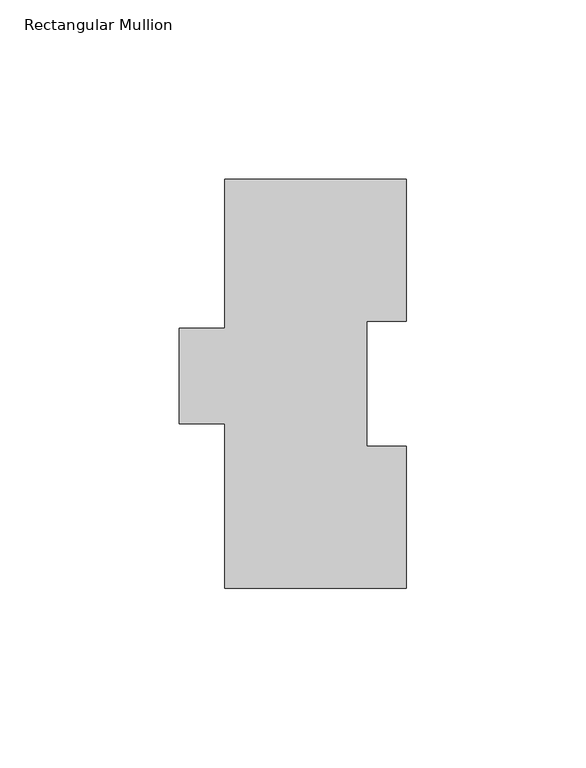
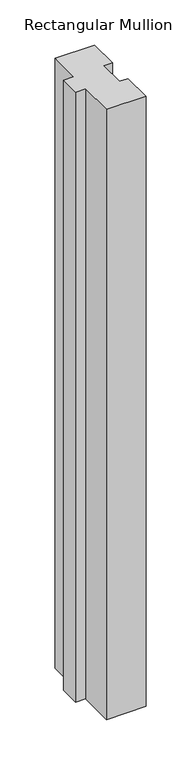
"""IFC4 building model written with IfcOpenShell, lengths in millimetres: member geometry, Rectangular Mullion."""

from ifc_helpers import new_model, si_unit, frame, origin, place, context, project, spatial, polyline, outline, extrude, source, transform, mapped, element, save


def rectangular_mullion_bc9200fb(model_context):
    return source(origin(), model_context, "Body", "SweptSolid", [
        extrude(outline(polyline([(0.0, 114.271425), (0.0, 74.596625), (-11.1252, 74.596625), (-11.1252, 39.646225), (0.0, 39.646225), (0.0, -0.028575), (-50.8, -0.028575), (-50.8, 46.008925), (-63.5, 46.008925), (-63.5, 72.564625), (-50.8, 72.564625), (-50.8, 114.271425), (0.0, 114.271425)])), frame((0.0, 0.0, -825.4999994), z_axis=(0.0, 0.0, 1.0), x_axis=(1.0, 0.0, 0.0)), (0.0, 0.0, 1.0), 825.4999994),
    ])


if __name__ == "__main__":
    model = new_model("IFC4")
    model_context = context("Model", 3, world=origin())
    ifc_project = project(units=[si_unit("LENGTHUNIT", "METRE", prefix="MILLI")], contexts=[model_context])
    site = spatial("IfcSite", under=ifc_project)
    building = spatial("IfcBuilding", under=site)
    placement = place(None, origin())
    rectangular_mullion_shape = rectangular_mullion_bc9200fb(model_context)
    element("IfcMember", 1, ObjectType="Rectangular Mullion", at=placement, inside=building, context=model_context, shape_type="MappedRepresentation", body=[
        mapped(rectangular_mullion_shape, transform((0.0, 0.0, 0.0), x_axis=(1.0, 0.0, 0.0), y_axis=(0.0, 1.0, 0.0), z_axis=(0.0, 0.0, 1.0))),
    ])
    save(model, "model.ifc")
